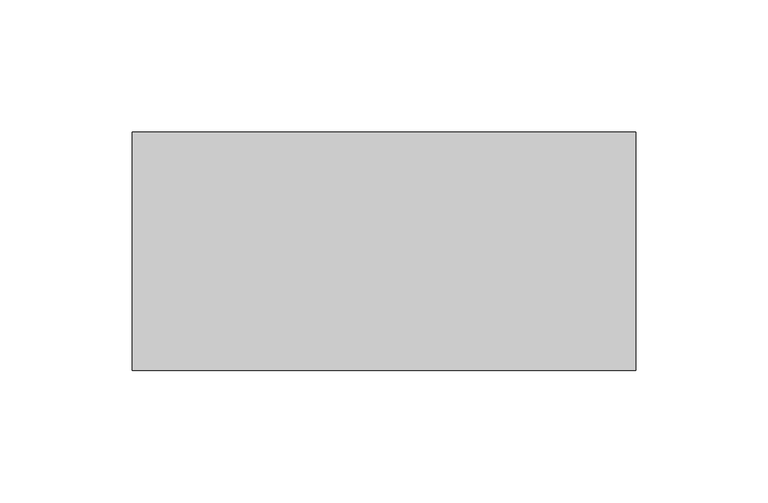
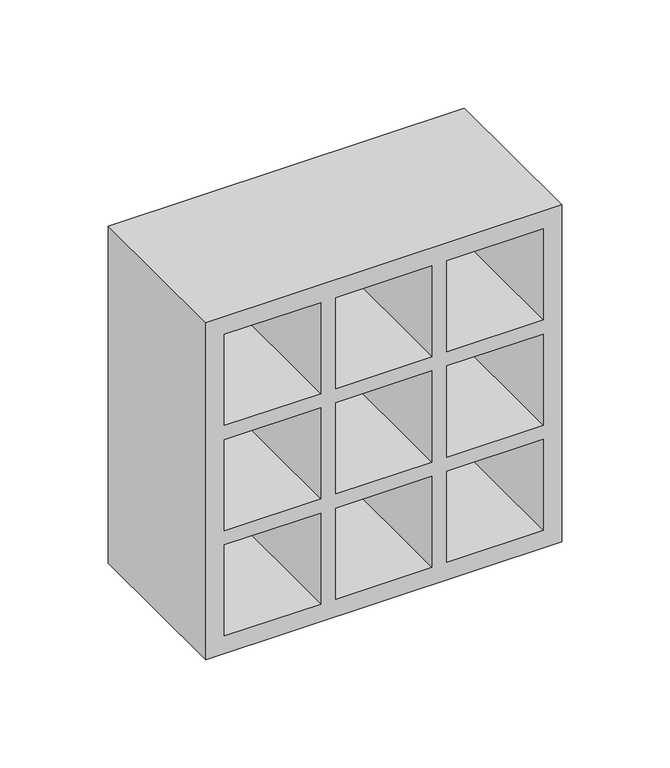
"""IFC4 building model written with IfcOpenShell, lengths in millimetres: proxy geometry."""

from ifc_helpers import new_model, si_unit, frame, origin, place, context, project, spatial, polyline, outline, extrude, source, transform, mapped, element, save


def generic_models_9be1bddd(model_context):
    return source(origin(), model_context, "Body", "SweptSolid", [
        extrude(outline(polyline([(0.0, 190.0), (190.0, 190.0), (190.0, 0.0), (0.0, 0.0), (0.0, 190.0)]), holes=[polyline([(10.0, 128.7), (61.3, 128.7), (61.3, 180.0), (10.0, 180.0), (10.0, 128.7)]), polyline([(10.0, 61.3), (10.0, 10.0), (61.3, 10.0), (61.3, 61.3), (10.0, 61.3)]), polyline([(180.0, 128.7), (180.0, 180.0), (128.7, 180.0), (128.7, 128.7), (180.0, 128.7)]), polyline([(180.0, 61.3), (128.7, 61.3), (128.7, 10.0), (180.0, 10.0), (180.0, 61.3)]), polyline([(61.3, 120.7), (10.0, 120.7), (10.0, 69.3), (61.3, 69.3), (61.3, 120.7)]), polyline([(128.7, 120.7), (128.7, 69.3), (180.0, 69.3), (180.0, 120.7), (128.7, 120.7)]), polyline([(120.7, 128.7), (120.7, 180.0), (69.3, 180.0), (69.3, 128.7), (120.7, 128.7)]), polyline([(120.7, 69.3), (120.7, 120.6), (69.3, 120.6), (69.3, 69.3), (120.7, 69.3)]), polyline([(120.7, 10.0), (120.7, 61.3), (69.3, 61.3), (69.3, 10.0), (120.7, 10.0)])]), frame((0.0, 0.0, 0.0), z_axis=(0.0, 1.0, 0.0), x_axis=(0.0, 0.0, 1.0)), (0.0, 0.0, 1.0), 90.0),
    ])


if __name__ == "__main__":
    model = new_model("IFC4")
    model_context = context("Model", 3, world=origin())
    ifc_project = project(units=[si_unit("LENGTHUNIT", "METRE", prefix="MILLI")], contexts=[model_context])
    site = spatial("IfcSite", under=ifc_project)
    building = spatial("IfcBuilding", under=site)
    placement = place(None, origin())
    generic_models_shape = generic_models_9be1bddd(model_context)
    element("IfcBuildingElementProxy", 1, Name="Generic Models", at=placement, inside=building, context=model_context, shape_type="MappedRepresentation", body=[
        mapped(generic_models_shape, transform((0.0, 0.0, 0.0), x_axis=(1.0, 0.0, 0.0), y_axis=(0.0, 1.0, 0.0), z_axis=(0.0, 0.0, 1.0))),
    ])
    save(model, "model.ifc")
